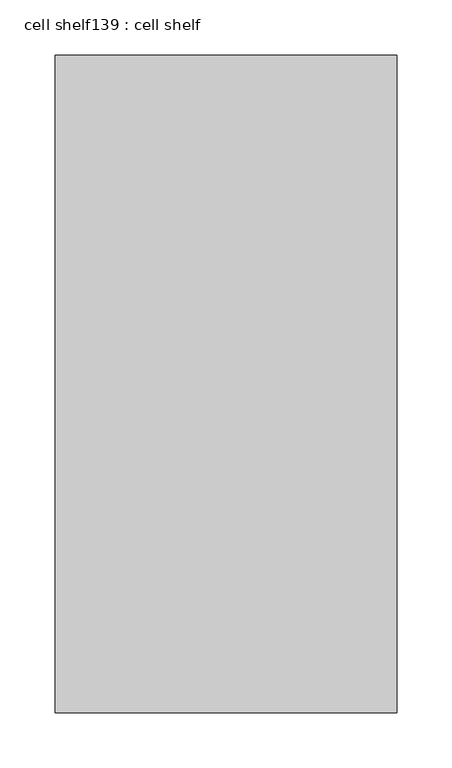
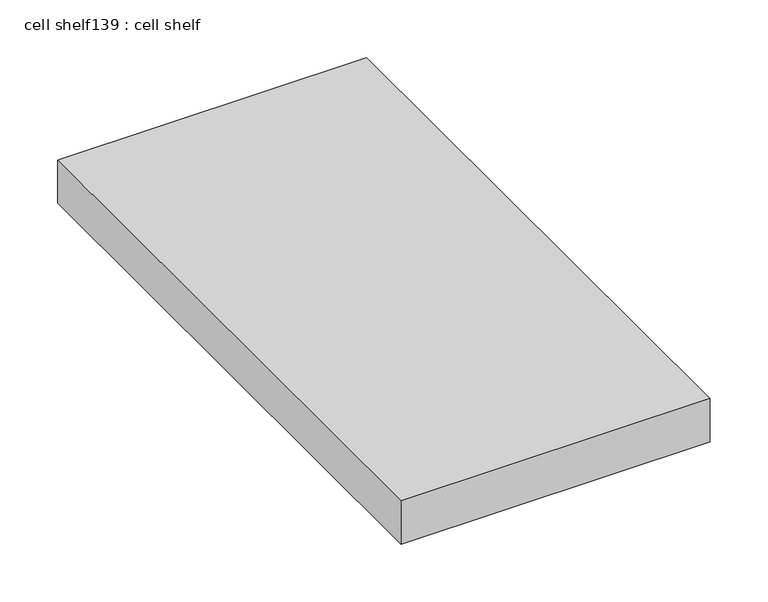
"""IFC4 building model written with IfcOpenShell, lengths in millimetres: proxy geometry, cell shelf139 : cell shelf."""

from ifc_helpers import new_model, si_unit, frame, origin, place, context, project, spatial, polyline, outline, extrude, source, transform, mapped, element, save


def cell_shelf139_cell_shelf_fb9699f0(model_context):
    return source(origin(), model_context, "Body", "SweptSolid", [
        extrude(outline(polyline([(-122232.5451094, -44891.9553685), (-122232.5451094, -45487.0417641), (-122541.8929059, -45487.0417641), (-122541.8929059, -44891.9553685), (-122232.5451094, -44891.9553685)])), frame((0.0, 0.0, 1320.0941517), z_axis=(0.0, 0.0, 1.0), x_axis=(1.0, 0.0, 0.0)), (0.0, 0.0, 1.0), 45.8133004),
    ])


if __name__ == "__main__":
    model = new_model("IFC4")
    model_context = context("Model", 3, world=origin())
    ifc_project = project(units=[si_unit("LENGTHUNIT", "METRE", prefix="MILLI")], contexts=[model_context])
    site = spatial("IfcSite", under=ifc_project)
    building = spatial("IfcBuilding", under=site)
    placement = place(None, origin())
    cell_shelf139_cell_shelf_shape = cell_shelf139_cell_shelf_fb9699f0(model_context)
    element("IfcBuildingElementProxy", 1, Name="cell shelf139 : cell shelf", ObjectType="cell shelf139 : cell shelf", at=placement, inside=building, context=model_context, shape_type="MappedRepresentation", body=[
        mapped(cell_shelf139_cell_shelf_shape, transform((0.0, 0.0, 0.0), x_axis=(1.0, 0.0, 0.0), y_axis=(0.0, 1.0, 0.0), z_axis=(0.0, 0.0, 1.0))),
    ])
    save(model, "model.ifc")
